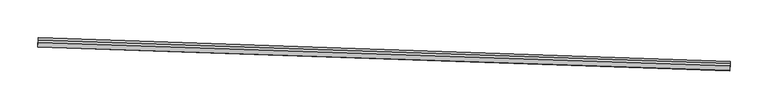
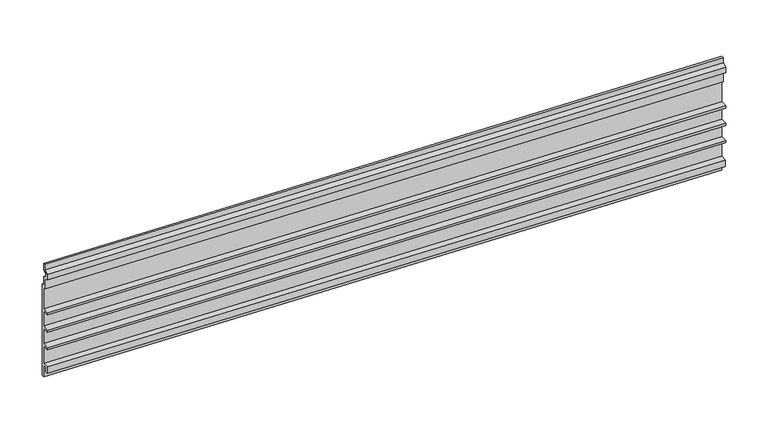
"""IFC4 building model written with IfcOpenShell, lengths in millimetres: proxy geometry."""

from ifc_helpers import new_model, si_unit, frame, origin, place, context, project, spatial, polyline, outline, extrude, source, transform, mapped, element, save


def generic_models_4266aec6(model_context):
    return source(origin(), model_context, "Body", "SweptSolid", [
        extrude(outline(polyline([(-3.1749999, 0.0), (0.0, 0.0), (0.0, 12.7), (5.4236225, 15.2290767), (5.4236225, 19.6959233), (0.0, 22.225), (0.0, 31.75), (3.175, 31.75), (3.175, 24.247698), (9.2139907, 21.4316705), (9.2139907, 13.4933295), (3.175, 10.6773019), (3.175, -3.175), (0.0, -3.175), (0.0, -34.13125), (9.525, -34.13125), (9.525, -37.30625), (0.0, -37.30625), (0.0, -59.53125), (9.525, -59.53125), (9.525, -62.70625), (0.0, -62.70625), (0.0, -84.93125), (9.525, -84.93125), (9.525, -88.10625), (0.0, -88.10625), (0.0, -113.50625), (8.8104385, -113.50625), (8.8104385, -123.03125), (4.9129906, -123.03125), (4.9129906, -116.68125), (0.0, -116.68125), (0.0, -133.35), (-3.1749999, -133.35), (-3.1749999, 0.0)])), frame((34376.7362962, -14832.2247215, 3860.8069019), z_axis=(-0.9994149479166007, 0.03420178183747702, 0.0), x_axis=(-0.03420178183747702, -0.9994149479166007, 0.0)), (0.0, 0.0, 1.0), 914.4),
    ])


if __name__ == "__main__":
    model = new_model("IFC4")
    model_context = context("Model", 3, world=origin())
    ifc_project = project(units=[si_unit("LENGTHUNIT", "METRE", prefix="MILLI")], contexts=[model_context])
    site = spatial("IfcSite", under=ifc_project)
    building = spatial("IfcBuilding", under=site)
    placement = place(None, origin())
    generic_models_shape = generic_models_4266aec6(model_context)
    element("IfcBuildingElementProxy", 1, Name="Generic Models", at=placement, inside=building, context=model_context, shape_type="MappedRepresentation", body=[
        mapped(generic_models_shape, transform((0.0, 0.0, 0.0), x_axis=(1.0, 0.0, 0.0), y_axis=(0.0, 1.0, 0.0), z_axis=(0.0, 0.0, 1.0))),
    ])
    save(model, "model.ifc")
